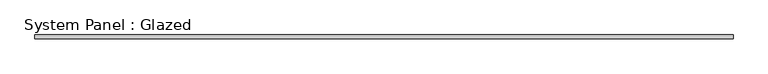
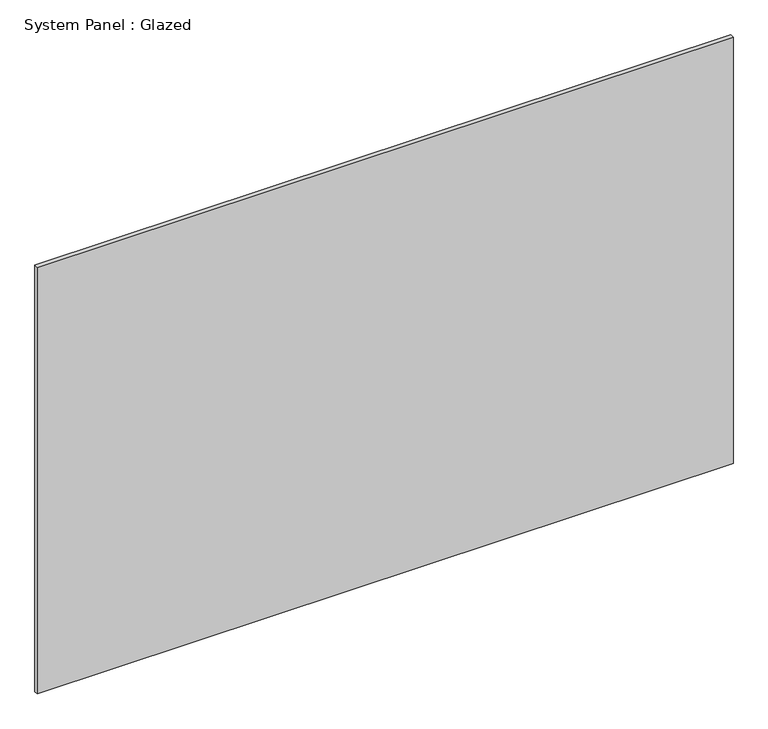
"""IFC4 building model written with IfcOpenShell, lengths in millimetres: plate geometry, System Panel : Glazed."""

import ifcopenshell
import ifcopenshell.guid

model = None  # the IFC model being written
_history = None  # IfcOwnerHistory: only IFC2X3 demands one
_inside = {}  # id of a spatial element -> (the spatial element, [elements in it])
_under = {}  # id of a project, library or spatial element -> (it, [spatial elements below it])
_declared = {}  # id of a project -> (the project, [libraries it declares])
_typed = {}  # id of a type object -> (the type object, [elements of that type])
_made_of = {}  # id of a material, layer set ... -> (it, [elements and type objects made of it])


def new_model(schema):
    """Start an empty IFC model of exactly this schema.

    Asked for "IFC4X3", IfcOpenShell would pick the latest addendum, in which some entities
    have other attributes; the version numbers below select the first issue.
    IFC2X3 requires an IfcOwnerHistory on every rooted entity: one is made here for all.
    """
    global model, _history
    if schema == "IFC4X3":
        model = ifcopenshell.file(schema_version=(4, 3, 0, 0))
    else:
        model = ifcopenshell.file(schema=schema)
    _inside.clear()
    _under.clear()
    _declared.clear()
    _typed.clear()
    _made_of.clear()
    _history = None
    if model.schema == "IFC2X3":
        org = make("IfcOrganization", Name="unknown")
        user = make(
            "IfcPersonAndOrganization",
            ThePerson=make("IfcPerson", FamilyName="unknown"),
            TheOrganization=org,
        )
        app = make(
            "IfcApplication",
            ApplicationDeveloper=org,
            Version="unknown",
            ApplicationFullName="unknown",
            ApplicationIdentifier="unknown",
        )
        _history = make(
            "IfcOwnerHistory",
            OwningUser=user,
            OwningApplication=app,
            ChangeAction="ADDED",
            CreationDate=0,
        )
    return model


def make(cls, **values):
    """One entity of the class cls with the attributes given. An attribute that is None is left unset."""
    return model.create_entity(
        cls, **{name: value for name, value in values.items() if value is not None}
    )


def rooted(cls, **values):
    """An entity with a GlobalId (a new one), such as an element, a storey or a relation."""
    return make(cls, GlobalId=ifcopenshell.guid.new(), OwnerHistory=_history, **values)


def si_unit(unit_type, name, prefix=None):
    """IfcSIUnit, for example si_unit("LENGTHUNIT", "METRE", prefix="MILLI")."""
    return make("IfcSIUnit", UnitType=unit_type, Prefix=prefix, Name=name)


def assignment(units):
    """IfcUnitAssignment: the units of a project."""
    return None if units is None else make("IfcUnitAssignment", Units=units)


def point(xyz):
    """IfcCartesianPoint."""
    return None if xyz is None else make("IfcCartesianPoint", Coordinates=xyz)


def direction(xyz):
    """IfcDirection."""
    return None if xyz is None else make("IfcDirection", DirectionRatios=xyz)


def frame(location, z_axis=None, x_axis=None):
    """IfcAxis2Placement3D, a coordinate frame: its origin and axes. An axis left out is left unset."""
    return make(
        "IfcAxis2Placement3D",
        Location=point(location),
        Axis=direction(z_axis),
        RefDirection=direction(x_axis),
    )


def origin():
    """The frame at (0, 0, 0) with its axes left unset."""
    return frame((0.0, 0.0, 0.0))


def origin_with_axes():
    """The frame at (0, 0, 0) with the z axis (0, 0, 1) and the x axis (1, 0, 0) written out."""
    return frame((0.0, 0.0, 0.0), z_axis=(0.0, 0.0, 1.0), x_axis=(1.0, 0.0, 0.0))


def place(relative_to, where):
    """IfcLocalPlacement: puts the frame where relative to a parent placement (None: the world)."""
    return make(
        "IfcLocalPlacement", PlacementRelTo=relative_to, RelativePlacement=where
    )


def context(
    kind, dimensions, precision=None, world=None, true_north=None, identifier=None
):
    """IfcGeometricRepresentationContext, for example the 3D "Model" context."""
    return make(
        "IfcGeometricRepresentationContext",
        ContextIdentifier=identifier,
        ContextType=kind,
        CoordinateSpaceDimension=dimensions,
        Precision=precision,
        WorldCoordinateSystem=world,
        TrueNorth=true_north,
    )


def project(units=None, contexts=None):
    """IfcProject with its units and contexts."""
    return rooted(
        "IfcProject",
        Name="project",
        RepresentationContexts=contexts,
        UnitsInContext=assignment(units),
    )


def spatial(cls, under=None, at=None, **own):
    """A site, building, storey or space (cls), placed at a placement, below another one or the project."""
    s = rooted(cls, ObjectPlacement=at, **own)
    if under is not None:
        _under.setdefault(under.id(), (under, []))[1].append(s)
    return s


def polyline(points):
    """IfcPolyline through the points."""
    return make("IfcPolyline", Points=[point(p) for p in points])


def outline(outer, holes=None, kind="AREA"):
    """IfcArbitraryClosedProfileDef: a profile drawn as a closed curve; with holes, ...WithVoids."""
    if holes is None:
        return make("IfcArbitraryClosedProfileDef", ProfileType=kind, OuterCurve=outer)
    return make(
        "IfcArbitraryProfileDefWithVoids",
        ProfileType=kind,
        OuterCurve=outer,
        InnerCurves=holes,
    )


def extrude(swept, where, along, depth):
    """IfcExtrudedAreaSolid: the profile swept, set in the frame where, extruded along a direction by depth."""
    return make(
        "IfcExtrudedAreaSolid",
        SweptArea=swept,
        Position=where,
        ExtrudedDirection=direction(along),
        Depth=depth,
    )


def shape(context_of_items, identifier, shape_type, items):
    """IfcShapeRepresentation: the items that make up one representation, for example the "Body"."""
    return make(
        "IfcShapeRepresentation",
        ContextOfItems=context_of_items,
        RepresentationIdentifier=identifier,
        RepresentationType=shape_type,
        Items=items,
    )


def source(mapping_origin, context_of_items, identifier, shape_type, items):
    """IfcRepresentationMap: a shape defined once, which mapped items show again and again."""
    return make(
        "IfcRepresentationMap",
        MappingOrigin=mapping_origin,
        MappedRepresentation=shape(context_of_items, identifier, shape_type, items),
    )


def transform(
    local_origin,
    x_axis=None,
    y_axis=None,
    z_axis=None,
    scale=None,
    scale2=None,
    scale3=None,
    uniform=True,
):
    """IfcCartesianTransformationOperator3D, or its non-uniform kind. x_axis, y_axis, z_axis: its Axis1, 2, 3."""
    if uniform:
        return make(
            "IfcCartesianTransformationOperator3D",
            Axis1=direction(x_axis),
            Axis2=direction(y_axis),
            LocalOrigin=point(local_origin),
            Scale=scale,
            Axis3=direction(z_axis),
        )
    return make(
        "IfcCartesianTransformationOperator3DnonUniform",
        Axis1=direction(x_axis),
        Axis2=direction(y_axis),
        LocalOrigin=point(local_origin),
        Scale=scale,
        Axis3=direction(z_axis),
        Scale2=scale2,
        Scale3=scale3,
    )


def mapped(mapping_source, mapping_target):
    """IfcMappedItem: shows the shape of a source again, moved by a transform."""
    return make(
        "IfcMappedItem", MappingSource=mapping_source, MappingTarget=mapping_target
    )


def made_of(thing, what):
    """Note that an element or type object is made of a material, layer set ...; save() writes the relation."""
    if what is not None:
        _made_of.setdefault(what.id(), (what, []))[1].append(thing)
    return thing


def element(
    cls,
    number,
    at=None,
    inside=None,
    cuts=None,
    type_object=None,
    material=None,
    context=None,
    identifier="Body",
    shape_type=None,
    held_by="IfcProductDefinitionShape",
    body=None,
    shapes=None,
    **own,
):
    """One element of the class cls, such as IfcWall. Its Tag is "e" and its number.

    at: its placement. inside: the storey or other place that contains it. cuts: it is an
    opening in that element (IfcRelVoidsElement). A single representation is given by context,
    identifier, shape_type and body (its items); several are given by shapes. held_by: the class
    of the entity that holds the representations. save() writes the other relations.
    """
    e = rooted(cls, Tag="e%d" % number, ObjectPlacement=at, **own)
    if body is not None:
        shapes = [shape(context, identifier, shape_type, body)]
    if shapes is not None:
        e.Representation = make(held_by, Representations=shapes)
    if inside is not None:
        _inside.setdefault(inside.id(), (inside, []))[1].append(e)
    if cuts is not None:
        rooted(
            "IfcRelVoidsElement", RelatingBuildingElement=cuts, RelatedOpeningElement=e
        )
    if type_object is not None:
        _typed.setdefault(type_object.id(), (type_object, []))[1].append(e)
    return made_of(e, material)


def aggregate(whole, parts):
    """IfcRelAggregates: a whole, such as a stair, and the parts it consists of."""
    return rooted("IfcRelAggregates", RelatingObject=whole, RelatedObjects=parts)


def save(model, path):
    """Write the relations noted so far, then the file.

    IfcRelAggregates (storeys below a building ...), IfcRelContainedInSpatialStructure (elements
    in a storey), IfcRelDefinesByType, IfcRelAssociatesMaterial and IfcRelDeclares: one each for
    every whole, place, type object, material and project.
    """
    for whole, parts in _under.values():
        aggregate(whole, parts)
    for where, things in _inside.values():
        rooted(
            "IfcRelContainedInSpatialStructure",
            RelatedElements=things,
            RelatingStructure=where,
        )
    for kind, things in _typed.values():
        rooted("IfcRelDefinesByType", RelatedObjects=things, RelatingType=kind)
    for what, things in _made_of.values():
        rooted("IfcRelAssociatesMaterial", RelatedObjects=things, RelatingMaterial=what)
    for by, libraries in _declared.values():
        rooted("IfcRelDeclares", RelatingContext=by, RelatedDefinitions=libraries)
    model.write(path)


def system_panel_glazed_92961f4b(model_context):
    return source(origin(), model_context, "Body", "SweptSolid", [
        extrude(outline(polyline([(2313.1, 24.5), (-2313.1, 24.5), (-2313.1, 49.5), (2313.1, 49.5), (2313.1, 24.5)])), origin_with_axes(), (0.0, 0.0, 1.0), 3000.0),
    ])


if __name__ == "__main__":
    model = new_model("IFC4")
    model_context = context("Model", 3, world=origin())
    ifc_project = project(units=[si_unit("LENGTHUNIT", "METRE", prefix="MILLI")], contexts=[model_context])
    site = spatial("IfcSite", under=ifc_project)
    building = spatial("IfcBuilding", under=site)
    placement = place(None, origin())
    system_panel_glazed_shape = system_panel_glazed_92961f4b(model_context)
    element("IfcPlate", 1, ObjectType="System Panel : Glazed", at=placement, inside=building, context=model_context, shape_type="MappedRepresentation", body=[
        mapped(system_panel_glazed_shape, transform((0.0, 0.0, 0.0), x_axis=(1.0, 0.0, 0.0), y_axis=(0.0, 1.0, 0.0), z_axis=(0.0, 0.0, 1.0))),
    ])
    save(model, "model.ifc")
